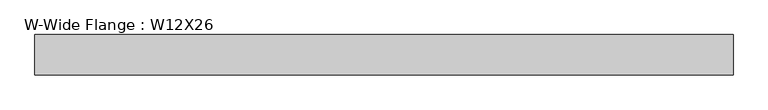
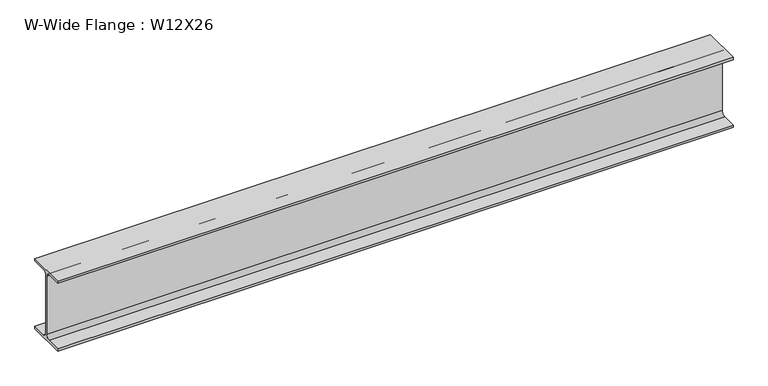
"""IFC4 building model written with IfcOpenShell, lengths in millimetres: beam geometry, W-Wide Flange : W12X26."""

from ifc_helpers import new_model, si_unit, point, frame, frame_2d, origin, place, context, project, spatial, polyline, circle_curve, trimmed, segment, composite_curve, outline, extrude, source, transform, mapped, element, save


def w_wide_flange_w12x26_7f5c46a2(model_context):
    return source(origin(), model_context, "Body", "SweptSolid", [
        extrude(outline(composite_curve([segment(polyline([(82.4011719, -145.5539063), (82.4011719, -155.178125), (-82.4011719, -155.178125), (-82.4011719, -145.5539063), (-20.2902344, -145.5539063)]), True, "CONTINUOUS"), segment(trimmed(circle_curve(frame_2d((-20.2902344, -128.190625)), 17.3632812), [point((-20.2902344, -145.5539063))], [point((-2.9269531, -128.190625))], True, "CARTESIAN"), True, "CONTINUOUS"), segment(polyline([(-2.9269531, -128.190625), (-2.9269531, 128.190625)]), True, "CONTINUOUS"), segment(trimmed(circle_curve(frame_2d((-20.2902344, 128.190625)), 17.3632812), [point((-2.9269531, 128.190625))], [point((-20.2902344, 145.5539062))], True, "CARTESIAN"), True, "CONTINUOUS"), segment(polyline([(-20.2902344, 145.5539062), (-82.4011719, 145.5539062), (-82.4011719, 155.178125), (82.4011719, 155.178125), (82.4011719, 145.5539062), (20.2902344, 145.5539062)]), True, "CONTINUOUS"), segment(trimmed(circle_curve(frame_2d((20.2902344, 128.190625)), 17.3632812), [point((20.2902344, 145.5539062))], [point((2.9269531, 128.190625))], True, "CARTESIAN"), True, "CONTINUOUS"), segment(polyline([(2.9269531, 128.190625), (2.9269531, -128.190625)]), True, "CONTINUOUS"), segment(trimmed(circle_curve(frame_2d((20.2902344, -128.190625)), 17.3632812), [point((2.9269531, -128.190625))], [point((20.2902344, -145.5539063))], True, "CARTESIAN"), True, "CONTINUOUS"), segment(polyline([(20.2902344, -145.5539063), (82.4011719, -145.5539063)]), True, "CONTINUOUS")], self_intersect=False)), frame((-1418.5002145, 0.0, 0.0), z_axis=(1.0, 0.0, 0.0), x_axis=(0.0, 1.0, 0.0)), (0.0, 0.0, 1.0), 2837.000429),
    ])


if __name__ == "__main__":
    model = new_model("IFC4")
    model_context = context("Model", 3, world=origin())
    ifc_project = project(units=[si_unit("LENGTHUNIT", "METRE", prefix="MILLI")], contexts=[model_context])
    site = spatial("IfcSite", under=ifc_project)
    building = spatial("IfcBuilding", under=site)
    placement = place(None, origin())
    w_wide_flange_w12x26_shape = w_wide_flange_w12x26_7f5c46a2(model_context)
    element("IfcBeam", 1, ObjectType="W-Wide Flange : W12X26", at=placement, inside=building, context=model_context, shape_type="MappedRepresentation", body=[
        mapped(w_wide_flange_w12x26_shape, transform((0.0, 0.0, 0.0), x_axis=(1.0, 0.0, 0.0), y_axis=(0.0, 1.0, 0.0), z_axis=(0.0, 0.0, 1.0))),
    ])
    save(model, "model.ifc")
